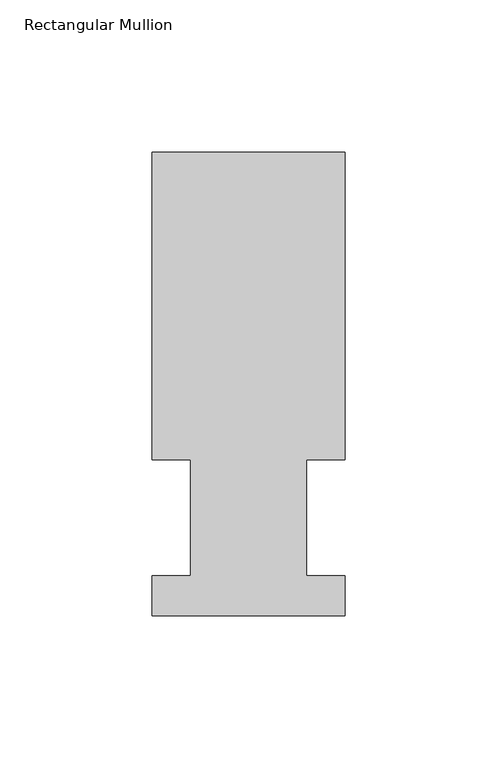
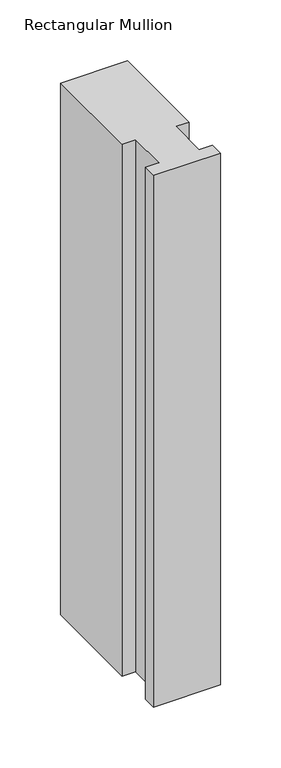
"""IFC4 building model written with IfcOpenShell, lengths in millimetres: member geometry, Rectangular Mullion."""

import ifcopenshell
import ifcopenshell.guid

model = None  # the IFC model being written
_history = None  # IfcOwnerHistory: only IFC2X3 demands one
_inside = {}  # id of a spatial element -> (the spatial element, [elements in it])
_under = {}  # id of a project, library or spatial element -> (it, [spatial elements below it])
_declared = {}  # id of a project -> (the project, [libraries it declares])
_typed = {}  # id of a type object -> (the type object, [elements of that type])
_made_of = {}  # id of a material, layer set ... -> (it, [elements and type objects made of it])


def new_model(schema):
    """Start an empty IFC model of exactly this schema.

    Asked for "IFC4X3", IfcOpenShell would pick the latest addendum, in which some entities
    have other attributes; the version numbers below select the first issue.
    IFC2X3 requires an IfcOwnerHistory on every rooted entity: one is made here for all.
    """
    global model, _history
    if schema == "IFC4X3":
        model = ifcopenshell.file(schema_version=(4, 3, 0, 0))
    else:
        model = ifcopenshell.file(schema=schema)
    _inside.clear()
    _under.clear()
    _declared.clear()
    _typed.clear()
    _made_of.clear()
    _history = None
    if model.schema == "IFC2X3":
        org = make("IfcOrganization", Name="unknown")
        user = make(
            "IfcPersonAndOrganization",
            ThePerson=make("IfcPerson", FamilyName="unknown"),
            TheOrganization=org,
        )
        app = make(
            "IfcApplication",
            ApplicationDeveloper=org,
            Version="unknown",
            ApplicationFullName="unknown",
            ApplicationIdentifier="unknown",
        )
        _history = make(
            "IfcOwnerHistory",
            OwningUser=user,
            OwningApplication=app,
            ChangeAction="ADDED",
            CreationDate=0,
        )
    return model


def make(cls, **values):
    """One entity of the class cls with the attributes given. An attribute that is None is left unset."""
    return model.create_entity(
        cls, **{name: value for name, value in values.items() if value is not None}
    )


def rooted(cls, **values):
    """An entity with a GlobalId (a new one), such as an element, a storey or a relation."""
    return make(cls, GlobalId=ifcopenshell.guid.new(), OwnerHistory=_history, **values)


def si_unit(unit_type, name, prefix=None):
    """IfcSIUnit, for example si_unit("LENGTHUNIT", "METRE", prefix="MILLI")."""
    return make("IfcSIUnit", UnitType=unit_type, Prefix=prefix, Name=name)


def assignment(units):
    """IfcUnitAssignment: the units of a project."""
    return None if units is None else make("IfcUnitAssignment", Units=units)


def point(xyz):
    """IfcCartesianPoint."""
    return None if xyz is None else make("IfcCartesianPoint", Coordinates=xyz)


def direction(xyz):
    """IfcDirection."""
    return None if xyz is None else make("IfcDirection", DirectionRatios=xyz)


def frame(location, z_axis=None, x_axis=None):
    """IfcAxis2Placement3D, a coordinate frame: its origin and axes. An axis left out is left unset."""
    return make(
        "IfcAxis2Placement3D",
        Location=point(location),
        Axis=direction(z_axis),
        RefDirection=direction(x_axis),
    )


def origin():
    """The frame at (0, 0, 0) with its axes left unset."""
    return frame((0.0, 0.0, 0.0))


def place(relative_to, where):
    """IfcLocalPlacement: puts the frame where relative to a parent placement (None: the world)."""
    return make(
        "IfcLocalPlacement", PlacementRelTo=relative_to, RelativePlacement=where
    )


def context(
    kind, dimensions, precision=None, world=None, true_north=None, identifier=None
):
    """IfcGeometricRepresentationContext, for example the 3D "Model" context."""
    return make(
        "IfcGeometricRepresentationContext",
        ContextIdentifier=identifier,
        ContextType=kind,
        CoordinateSpaceDimension=dimensions,
        Precision=precision,
        WorldCoordinateSystem=world,
        TrueNorth=true_north,
    )


def project(units=None, contexts=None):
    """IfcProject with its units and contexts."""
    return rooted(
        "IfcProject",
        Name="project",
        RepresentationContexts=contexts,
        UnitsInContext=assignment(units),
    )


def spatial(cls, under=None, at=None, **own):
    """A site, building, storey or space (cls), placed at a placement, below another one or the project."""
    s = rooted(cls, ObjectPlacement=at, **own)
    if under is not None:
        _under.setdefault(under.id(), (under, []))[1].append(s)
    return s


def polyline(points):
    """IfcPolyline through the points."""
    return make("IfcPolyline", Points=[point(p) for p in points])


def outline(outer, holes=None, kind="AREA"):
    """IfcArbitraryClosedProfileDef: a profile drawn as a closed curve; with holes, ...WithVoids."""
    if holes is None:
        return make("IfcArbitraryClosedProfileDef", ProfileType=kind, OuterCurve=outer)
    return make(
        "IfcArbitraryProfileDefWithVoids",
        ProfileType=kind,
        OuterCurve=outer,
        InnerCurves=holes,
    )


def extrude(swept, where, along, depth):
    """IfcExtrudedAreaSolid: the profile swept, set in the frame where, extruded along a direction by depth."""
    return make(
        "IfcExtrudedAreaSolid",
        SweptArea=swept,
        Position=where,
        ExtrudedDirection=direction(along),
        Depth=depth,
    )


def shape(context_of_items, identifier, shape_type, items):
    """IfcShapeRepresentation: the items that make up one representation, for example the "Body"."""
    return make(
        "IfcShapeRepresentation",
        ContextOfItems=context_of_items,
        RepresentationIdentifier=identifier,
        RepresentationType=shape_type,
        Items=items,
    )


def source(mapping_origin, context_of_items, identifier, shape_type, items):
    """IfcRepresentationMap: a shape defined once, which mapped items show again and again."""
    return make(
        "IfcRepresentationMap",
        MappingOrigin=mapping_origin,
        MappedRepresentation=shape(context_of_items, identifier, shape_type, items),
    )


def transform(
    local_origin,
    x_axis=None,
    y_axis=None,
    z_axis=None,
    scale=None,
    scale2=None,
    scale3=None,
    uniform=True,
):
    """IfcCartesianTransformationOperator3D, or its non-uniform kind. x_axis, y_axis, z_axis: its Axis1, 2, 3."""
    if uniform:
        return make(
            "IfcCartesianTransformationOperator3D",
            Axis1=direction(x_axis),
            Axis2=direction(y_axis),
            LocalOrigin=point(local_origin),
            Scale=scale,
            Axis3=direction(z_axis),
        )
    return make(
        "IfcCartesianTransformationOperator3DnonUniform",
        Axis1=direction(x_axis),
        Axis2=direction(y_axis),
        LocalOrigin=point(local_origin),
        Scale=scale,
        Axis3=direction(z_axis),
        Scale2=scale2,
        Scale3=scale3,
    )


def mapped(mapping_source, mapping_target):
    """IfcMappedItem: shows the shape of a source again, moved by a transform."""
    return make(
        "IfcMappedItem", MappingSource=mapping_source, MappingTarget=mapping_target
    )


def made_of(thing, what):
    """Note that an element or type object is made of a material, layer set ...; save() writes the relation."""
    if what is not None:
        _made_of.setdefault(what.id(), (what, []))[1].append(thing)
    return thing


def element(
    cls,
    number,
    at=None,
    inside=None,
    cuts=None,
    type_object=None,
    material=None,
    context=None,
    identifier="Body",
    shape_type=None,
    held_by="IfcProductDefinitionShape",
    body=None,
    shapes=None,
    **own,
):
    """One element of the class cls, such as IfcWall. Its Tag is "e" and its number.

    at: its placement. inside: the storey or other place that contains it. cuts: it is an
    opening in that element (IfcRelVoidsElement). A single representation is given by context,
    identifier, shape_type and body (its items); several are given by shapes. held_by: the class
    of the entity that holds the representations. save() writes the other relations.
    """
    e = rooted(cls, Tag="e%d" % number, ObjectPlacement=at, **own)
    if body is not None:
        shapes = [shape(context, identifier, shape_type, body)]
    if shapes is not None:
        e.Representation = make(held_by, Representations=shapes)
    if inside is not None:
        _inside.setdefault(inside.id(), (inside, []))[1].append(e)
    if cuts is not None:
        rooted(
            "IfcRelVoidsElement", RelatingBuildingElement=cuts, RelatedOpeningElement=e
        )
    if type_object is not None:
        _typed.setdefault(type_object.id(), (type_object, []))[1].append(e)
    return made_of(e, material)


def aggregate(whole, parts):
    """IfcRelAggregates: a whole, such as a stair, and the parts it consists of."""
    return rooted("IfcRelAggregates", RelatingObject=whole, RelatedObjects=parts)


def save(model, path):
    """Write the relations noted so far, then the file.

    IfcRelAggregates (storeys below a building ...), IfcRelContainedInSpatialStructure (elements
    in a storey), IfcRelDefinesByType, IfcRelAssociatesMaterial and IfcRelDeclares: one each for
    every whole, place, type object, material and project.
    """
    for whole, parts in _under.values():
        aggregate(whole, parts)
    for where, things in _inside.values():
        rooted(
            "IfcRelContainedInSpatialStructure",
            RelatedElements=things,
            RelatingStructure=where,
        )
    for kind, things in _typed.values():
        rooted("IfcRelDefinesByType", RelatedObjects=things, RelatingType=kind)
    for what, things in _made_of.values():
        rooted("IfcRelAssociatesMaterial", RelatedObjects=things, RelatingMaterial=what)
    for by, libraries in _declared.values():
        rooted("IfcRelDeclares", RelatingContext=by, RelatedDefinitions=libraries)
    model.write(path)


def rectangular_mullion_84213723(model_context):
    return source(origin(), model_context, "Body", "SweptSolid", [
        extrude(outline(polyline([(-63.5, 152.4896937), (0.0127, 152.4896937), (0.0127, 51.2960937), (-12.6873, 51.2960938), (-12.6873, 13.1960937), (0.0, 13.1960937), (0.0, 0.0134937), (-63.5, 0.0134937), (-63.5, 13.1960937), (-50.8000001, 13.1960937), (-50.8000001, 51.2960937), (-63.5, 51.2960937), (-63.5, 152.4896937)])), frame((0.0, 0.0, -533.4), z_axis=(0.0, 0.0, 1.0), x_axis=(1.0, 0.0, 0.0)), (0.0, 0.0, 1.0), 533.4),
    ])


if __name__ == "__main__":
    model = new_model("IFC4")
    model_context = context("Model", 3, world=origin())
    ifc_project = project(units=[si_unit("LENGTHUNIT", "METRE", prefix="MILLI")], contexts=[model_context])
    site = spatial("IfcSite", under=ifc_project)
    building = spatial("IfcBuilding", under=site)
    placement = place(None, origin())
    rectangular_mullion_shape = rectangular_mullion_84213723(model_context)
    element("IfcMember", 1, ObjectType="Rectangular Mullion", at=placement, inside=building, context=model_context, shape_type="MappedRepresentation", body=[
        mapped(rectangular_mullion_shape, transform((0.0, 0.0, 0.0), x_axis=(1.0, 0.0, 0.0), y_axis=(0.0, 1.0, 0.0), z_axis=(0.0, 0.0, 1.0))),
    ])
    save(model, "model.ifc")
